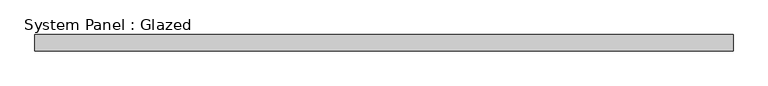
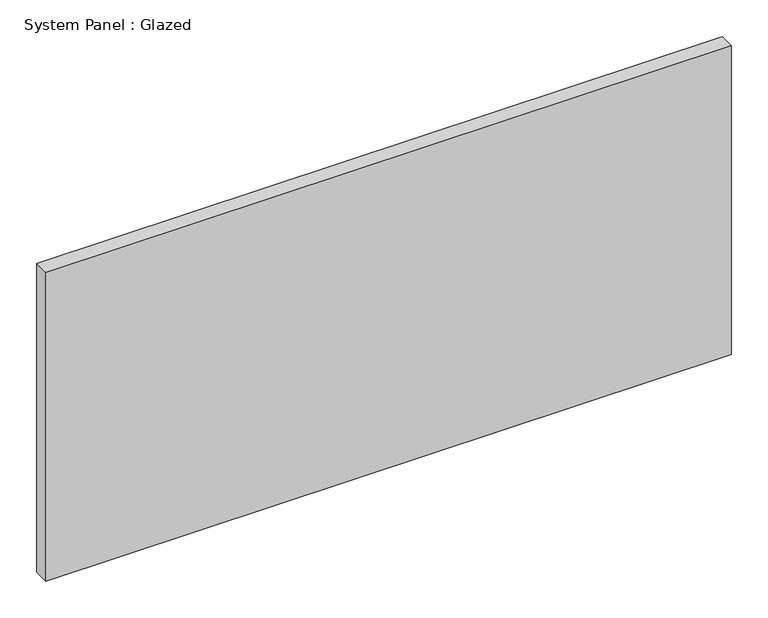
"""IFC4 building model written with IfcOpenShell, lengths in millimetres: plate geometry, System Panel : Glazed."""

from ifc_helpers import new_model, si_unit, origin, origin_with_axes, place, context, project, spatial, polyline, outline, extrude, source, transform, mapped, element, save


def system_panel_glazed_9e9ce686(model_context):
    return source(origin(), model_context, "Body", "SweptSolid", [
        extrude(outline(polyline([(539.75, 19.05), (-539.75, 19.05), (-539.75, 44.45), (539.75, 44.45), (539.75, 19.05)])), origin_with_axes(), (0.0, 0.0, 1.0), 514.35),
    ])


if __name__ == "__main__":
    model = new_model("IFC4")
    model_context = context("Model", 3, world=origin())
    ifc_project = project(units=[si_unit("LENGTHUNIT", "METRE", prefix="MILLI")], contexts=[model_context])
    site = spatial("IfcSite", under=ifc_project)
    building = spatial("IfcBuilding", under=site)
    placement = place(None, origin())
    system_panel_glazed_shape = system_panel_glazed_9e9ce686(model_context)
    element("IfcPlate", 1, ObjectType="System Panel : Glazed", at=placement, inside=building, context=model_context, shape_type="MappedRepresentation", body=[
        mapped(system_panel_glazed_shape, transform((0.0, 0.0, 0.0), x_axis=(1.0, 0.0, 0.0), y_axis=(0.0, 1.0, 0.0), z_axis=(0.0, 0.0, 1.0))),
    ])
    save(model, "model.ifc")
